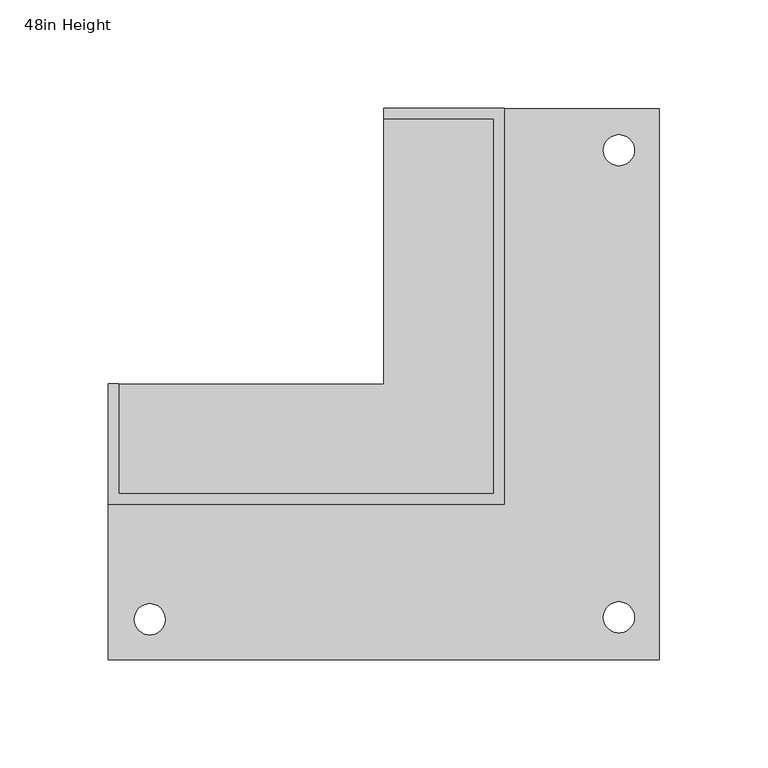
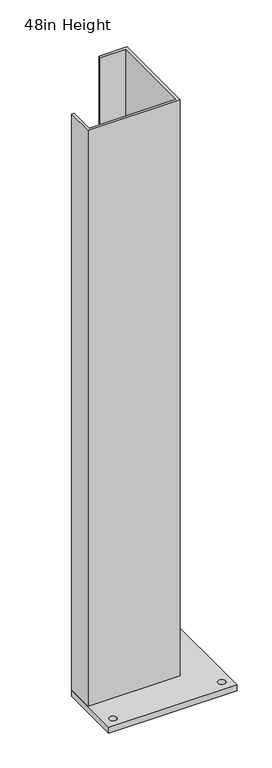
"""IFC4 building model written with IfcOpenShell, lengths in millimetres: proxy geometry, 48in Height."""

from ifc_helpers import new_model, si_unit, point, frame, frame_2d, origin, origin_with_axes, place, context, project, spatial, polyline, circle_curve, trimmed, segment, composite_curve, outline, extrude, source, transform, mapped, element, save


def proxy_48in_height_5dffdaeb(model_context):
    return source(origin(), model_context, "Body", "SweptSolid", [
        extrude(outline(polyline([(55.5625, 127.0), (55.5625, -55.5625), (-127.0, -55.5625), (-127.0, 0.0), (-122.2375, 0.0), (-122.2375, -50.8), (50.8, -50.8), (50.8, 122.2375), (0.0, 122.2375), (0.0, 127.0), (55.5625, 127.0)])), frame((0.0, 0.0, 12.7), z_axis=(0.0, 0.0, 1.0), x_axis=(1.0, 0.0, 0.0)), (0.0, 0.0, 1.0), 1206.5),
        extrude(outline(polyline([(-127.0, 0.0), (0.0, 0.0), (0.0, 127.0), (127.0, 127.0), (127.0, -127.0), (-127.0, -127.0), (-127.0, 0.0)]), holes=[composite_curve([segment(trimmed(circle_curve(frame_2d((108.4322499, -107.5355111)), 7.14375), [point((101.2884999, -107.5355111))], [point((115.5759999, -107.5355111))], True, "CARTESIAN"), True, "CONTINUOUS"), segment(trimmed(circle_curve(frame_2d((108.4322499, -107.5355111)), 7.14375), [point((115.5759999, -107.5355111))], [point((101.2884999, -107.5355111))], True, "CARTESIAN"), True, "CONTINUOUS")], self_intersect=False), composite_curve([segment(trimmed(circle_curve(frame_2d((-107.9210007, -108.4322499)), 7.14375), [point((-115.0647507, -108.4322499))], [point((-100.7772507, -108.4322499))], True, "CARTESIAN"), True, "CONTINUOUS"), segment(trimmed(circle_curve(frame_2d((-107.9210007, -108.4322499)), 7.14375), [point((-100.7772507, -108.4322499))], [point((-115.0647507, -108.4322499))], True, "CARTESIAN"), True, "CONTINUOUS")], self_intersect=False), composite_curve([segment(trimmed(circle_curve(frame_2d((108.4322499, 107.9210007)), 7.14375), [point((101.2884999, 107.9210007))], [point((115.5759999, 107.9210007))], True, "CARTESIAN"), True, "CONTINUOUS"), segment(trimmed(circle_curve(frame_2d((108.4322499, 107.9210007)), 7.14375), [point((115.5759999, 107.9210007))], [point((101.2884999, 107.9210007))], True, "CARTESIAN"), True, "CONTINUOUS")], self_intersect=False)]), origin_with_axes(), (0.0, 0.0, 1.0), 12.7),
    ])


if __name__ == "__main__":
    model = new_model("IFC4")
    model_context = context("Model", 3, world=origin())
    ifc_project = project(units=[si_unit("LENGTHUNIT", "METRE", prefix="MILLI")], contexts=[model_context])
    site = spatial("IfcSite", under=ifc_project)
    building = spatial("IfcBuilding", under=site)
    placement = place(None, origin())
    proxy_48in_height_shape = proxy_48in_height_5dffdaeb(model_context)
    element("IfcBuildingElementProxy", 1, Name="48in Height", ObjectType="48in Height", at=placement, inside=building, context=model_context, shape_type="MappedRepresentation", body=[
        mapped(proxy_48in_height_shape, transform((0.0, 0.0, 0.0), x_axis=(1.0, 0.0, 0.0), y_axis=(0.0, 1.0, 0.0), z_axis=(0.0, 0.0, 1.0))),
    ])
    save(model, "model.ifc")
